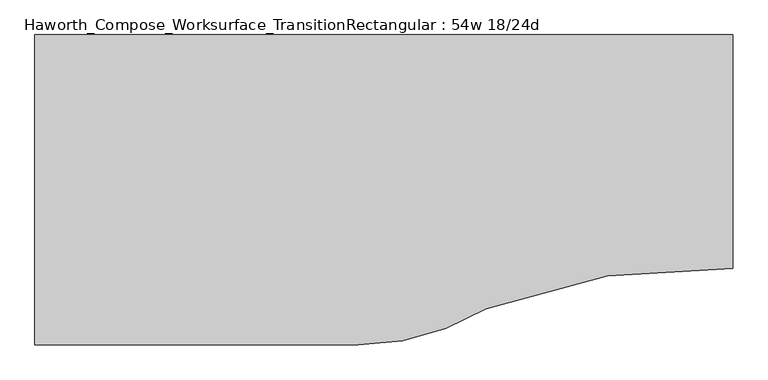
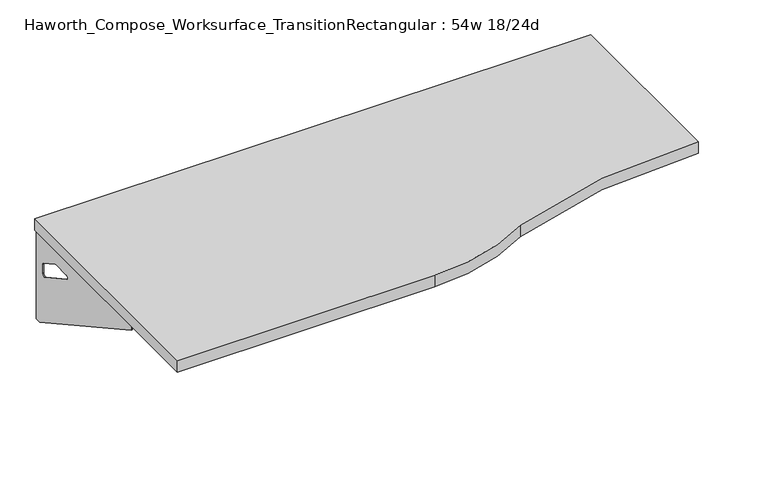
"""IFC4 building model written with IfcOpenShell, lengths in millimetres: furniture geometry, Haworth_Compose_Worksurface_TransitionRectangular : 54w 18/24d."""

from ifc_helpers import new_model, si_unit, point, frame, frame_2d, origin, place, context, project, spatial, polyline, circle_curve, trimmed, segment, composite_curve, outline, extrude, source, transform, mapped, element, save
from ifc_brep_helpers import plane_surface, revolved_surface, advanced_brep


def haworth_compose_worksurface_transitionrectangular_54w_18_24d_34249d6e(model_context):
    return source(origin(), model_context, "Body", "SolidModel", [
        advanced_brep(
        [(661.19375, 152.4, 475.45625), (661.19375, 136.525, 475.45625), (661.19375, -254.0, 691.7192568), (661.19375, -254.0, 704.05625), (661.19375, 136.525, 704.05625), (661.19375, 152.4, 704.05625), (661.19375, 69.090072, 665.95625), (661.19375, 25.4355284, 665.95625), (661.19375, 22.7564235, 656.3705539), (661.19375, 114.4776173, 605.5776439), (661.19375, 123.825, 611.1756969), (661.19375, 123.825, 634.6860246), (661.19375, 122.0730055, 637.5242776), (661.19375, 72.1663437, 665.1613425), (663.575, 152.4, 475.45625), (663.575, 152.4, 704.05625), (663.575, 136.525, 704.05625), (663.575, 136.525, 706.4375), (663.575, -254.0, 706.4375), (663.575, -254.0, 691.7192568), (663.575, 136.525, 475.45625), (663.575, 69.090072, 665.95625), (663.575, 72.1663437, 665.1613425), (663.575, 122.0730055, 637.5242776), (663.575, 123.825, 634.6860246), (663.575, 123.825, 611.1756969), (663.575, 114.4776173, 605.5776439), (663.575, 22.7564235, 656.3705539), (663.575, 25.4355284, 665.95625), (622.3, -254.0, 706.4375), (622.3, -254.0, 704.05625), (622.3, 136.525, 704.05625), (622.3, 136.525, 706.4375)],
        [
            (0, 1),
            (1, 2),
            (2, 3),
            (3, 4),
            (4, 5),
            (5, 0),
            (6, 7),
            (7, 8, circle_curve(frame((661.19375, 25.4355284, 660.7890106), z_axis=(1.0, 0.0, 0.0), x_axis=(0.0, -1.0, 0.0)), 5.1672394)),
            (8, 9),
            (9, 10, circle_curve(frame((661.19375, 117.475, 611.1756969), z_axis=(1.0, 0.0, 0.0), x_axis=(0.0, -1.0, 0.0)), 6.35)),
            (10, 11),
            (11, 12, circle_curve(frame((661.19375, 120.65, 634.6860246), z_axis=(1.0, 0.0, 0.0), x_axis=(0.0, -1.0, 0.0)), 3.175)),
            (12, 13),
            (13, 6, circle_curve(frame((661.19375, 69.090072, 659.60625), z_axis=(1.0, 0.0, 0.0), x_axis=(0.0, -1.0, 0.0)), 6.35)),
            (14, 15),
            (15, 16),
            (16, 17),
            (17, 18),
            (18, 19),
            (19, 20),
            (20, 14),
            (21, 22, circle_curve(frame((663.575, 69.090072, 659.60625), z_axis=(-1.0, 0.0, 0.0), x_axis=(0.0, -1.0, 0.0)), 6.35)),
            (22, 23),
            (23, 24, circle_curve(frame((663.575, 120.65, 634.6860246), z_axis=(-1.0, 0.0, 0.0), x_axis=(0.0, -1.0, 0.0)), 3.175)),
            (24, 25),
            (25, 26, circle_curve(frame((663.575, 117.475, 611.1756969), z_axis=(-1.0, 0.0, 0.0), x_axis=(0.0, -1.0, 0.0)), 6.35)),
            (26, 27),
            (27, 28, circle_curve(frame((663.575, 25.4355284, 660.7890106), z_axis=(-1.0, 0.0, 0.0), x_axis=(0.0, -1.0, 0.0)), 5.1672394)),
            (28, 21),
            (4, 16),
            (15, 5),
            (14, 0),
            (20, 1),
            (19, 2),
            (18, 29),
            (29, 30),
            (30, 3),
            (6, 21),
            (28, 7),
            (9, 26),
            (25, 10),
            (24, 11),
            (23, 12),
            (27, 8),
            (31, 4),
            (30, 31),
            (32, 29),
            (17, 32),
            (31, 32),
            (22, 13),
        ],
        [
            plane_surface(frame((661.19375, 152.4, 475.45625), z_axis=(-1.0, 0.0, 0.0), x_axis=(0.0, 1.0, 0.0))),
            plane_surface(frame((663.575, 152.4, 475.45625), z_axis=(1.0, 0.0, 0.0), x_axis=(0.0, -1.0, 0.0))),
            plane_surface(frame((663.575, -254.0, 704.05625), z_axis=(0.0, 0.0, 1.0), x_axis=(-1.0, 0.0, 0.0))),
            plane_surface(frame((663.575, 152.4, 704.05625), z_axis=(0.0, 1.0, 0.0), x_axis=(-1.0, 0.0, 0.0))),
            plane_surface(frame((663.575, 152.4, 475.45625), z_axis=(0.0, 0.0, -1.0), x_axis=(-1.0, 0.0, 0.0))),
            plane_surface(frame((663.575, 136.525, 475.45625), z_axis=(0.0, -0.48445223513455843, -0.8748177135112952), x_axis=(-1.0, 0.0, 0.0))),
            plane_surface(frame((663.575, -254.0, 691.7192568), z_axis=(0.0, -1.0, 0.0), x_axis=(-1.0, 0.0, 0.0))),
            plane_surface(frame((663.575, 69.090072, 665.95625), z_axis=(0.0, 0.0, -1.0), x_axis=(-1.0, 0.0, 0.0))),
            revolved_surface(polyline([(661.19375, 111.125, 611.1756969), (663.575, 111.125, 611.1756969)]), (663.575, 117.475, 611.1756969), (-1.0, 0.0, 0.0)),
            plane_surface(frame((663.575, 123.825, 611.1756969), z_axis=(0.0, -1.0, 0.0), x_axis=(-1.0, 0.0, 0.0))),
            revolved_surface(polyline([(661.19375, 117.47500000000001, 634.6860246), (663.575, 117.47500000000001, 634.6860246)]), (663.575, 120.65, 634.6860246), (-1.0, 0.0, 0.0)),
            revolved_surface(polyline([(661.19375, 20.268289, 660.7890106), (663.575, 20.268289, 660.7890106)]), (663.575, 25.4355284, 660.7890106), (-1.0, 0.0, 0.0)),
            plane_surface(frame((663.575, 136.525, 704.05625), z_axis=(0.0, 0.0, -1.0), x_axis=(-1.0, 0.0, 0.0))),
            plane_surface(frame((663.575, 136.525, 706.4375), z_axis=(0.0, 0.0, 1.0), x_axis=(1.0, 0.0, 0.0))),
            plane_surface(frame((622.3, 136.525, 706.4375), z_axis=(0.0, 1.0, 0.0), x_axis=(0.0, 0.0, -1.0))),
            plane_surface(frame((622.3, -254.0, 706.4375), z_axis=(-1.0, 0.0, 0.0), x_axis=(0.0, 0.0, -1.0))),
            plane_surface(frame((663.575, 22.7564235, 656.3705539), z_axis=(0.0, 0.4844522351345583, 0.8748177135112953), x_axis=(-1.0, 0.0, 0.0))),
            plane_surface(frame((663.575, 122.0730055, 637.5242776), z_axis=(0.0, -0.4844522351345582, -0.8748177135112953), x_axis=(-1.0, 0.0, 0.0))),
            revolved_surface(polyline([(661.19375, 62.740072000000005, 659.60625), (663.575, 62.740072000000005, 659.60625)]), (663.575, 69.090072, 659.60625), (-1.0, 0.0, 0.0)),
        ],
        [
            (0, [[1, 2, 3, 4, 5, 6], [7, 8, 9, 10, 11, 12, 13, 14]]),
            (1, [[15, 16, 17, 18, 19, 20, 21], [22, 23, 24, 25, 26, 27, 28, 29]]),
            (2, [[-5, 30, -16, 31]]),
            (3, [[-31, -15, 32, -6]]),
            (4, [[-32, -21, 33, -1]]),
            (5, [[-33, -20, 34, -2]]),
            (6, [[-34, -19, 35, 36, 37, -3]]),
            (7, [[38, -29, 39, -7]]),
            (8, [[40, -26, 41, -10]]),
            (9, [[-41, -25, 42, -11]]),
            (10, [[-42, -24, 43, -12]]),
            (11, [[-39, -28, 44, -8]]),
            (12, [[45, -4, -37, 46]]),
            (13, [[47, -35, -18, 48]]),
            (14, [[-17, -30, -45, 49, -48]]),
            (15, [[-36, -47, -49, -46]]),
            (16, [[-44, -27, -40, -9]]),
            (17, [[-43, -23, 50, -13]]),
            (18, [[-50, -22, -38, -14]]),
        ],
    ),
        advanced_brep(
        [(-699.29375, 152.4, 475.45625), (-699.29375, 152.4, 704.05625), (-699.29375, 136.525, 704.05625), (-699.29375, -254.0, 704.05625), (-699.29375, -254.0, 691.7192568), (-699.29375, 136.525, 475.45625), (-699.29375, 69.090072, 665.95625), (-699.29375, 72.1663437, 665.1613425), (-699.29375, 122.0730055, 637.5242776), (-699.29375, 123.825, 634.6860246), (-699.29375, 123.825, 611.1756969), (-699.29375, 114.4776173, 605.5776439), (-699.29375, 22.7564235, 656.3705539), (-699.29375, 25.4355284, 665.95625), (-701.675, 152.4, 475.45625), (-701.675, 136.525, 475.45625), (-701.675, -254.0, 691.7192568), (-701.675, -254.0, 706.4375), (-701.675, 136.525, 706.4375), (-701.675, 136.525, 704.05625), (-701.675, 152.4, 704.05625), (-701.675, 69.090072, 665.95625), (-701.675, 25.4355284, 665.95625), (-701.675, 22.7564235, 656.3705539), (-701.675, 114.4776173, 605.5776439), (-701.675, 123.825, 611.1756969), (-701.675, 123.825, 634.6860246), (-701.675, 122.0730055, 637.5242776), (-701.675, 72.1663437, 665.1613425), (-660.4, -254.0, 704.05625), (-660.4, -254.0, 706.4375), (-660.4, 136.525, 704.05625), (-660.4, 136.525, 706.4375)],
        [
            (0, 1),
            (1, 2),
            (2, 3),
            (3, 4),
            (4, 5),
            (5, 0),
            (6, 7, circle_curve(frame((-699.29375, 69.090072, 659.60625), z_axis=(-1.0, 0.0, 0.0), x_axis=(0.0, -1.0, 0.0)), 6.35)),
            (7, 8),
            (8, 9, circle_curve(frame((-699.29375, 120.65, 634.6860246), z_axis=(-1.0, 0.0, 0.0), x_axis=(0.0, -1.0, 0.0)), 3.175)),
            (9, 10),
            (10, 11, circle_curve(frame((-699.29375, 117.475, 611.1756969), z_axis=(-1.0, 0.0, 0.0), x_axis=(0.0, -1.0, 0.0)), 6.35)),
            (11, 12),
            (12, 13, circle_curve(frame((-699.29375, 25.4355284, 660.7890106), z_axis=(-1.0, 0.0, 0.0), x_axis=(0.0, -1.0, 0.0)), 5.1672394)),
            (13, 6),
            (14, 15),
            (15, 16),
            (16, 17),
            (17, 18),
            (18, 19),
            (19, 20),
            (20, 14),
            (21, 22),
            (22, 23, circle_curve(frame((-701.675, 25.4355284, 660.7890106), z_axis=(1.0, 0.0, 0.0), x_axis=(0.0, -1.0, 0.0)), 5.1672394)),
            (23, 24),
            (24, 25, circle_curve(frame((-701.675, 117.475, 611.1756969), z_axis=(1.0, 0.0, 0.0), x_axis=(0.0, -1.0, 0.0)), 6.35)),
            (25, 26),
            (26, 27, circle_curve(frame((-701.675, 120.65, 634.6860246), z_axis=(1.0, 0.0, 0.0), x_axis=(0.0, -1.0, 0.0)), 3.175)),
            (27, 28),
            (28, 21, circle_curve(frame((-701.675, 69.090072, 659.60625), z_axis=(1.0, 0.0, 0.0), x_axis=(0.0, -1.0, 0.0)), 6.35)),
            (1, 20),
            (19, 2),
            (0, 14),
            (5, 15),
            (4, 16),
            (3, 29),
            (29, 30),
            (30, 17),
            (13, 22),
            (21, 6),
            (10, 25),
            (24, 11),
            (9, 26),
            (8, 27),
            (12, 23),
            (31, 29),
            (2, 31),
            (32, 18),
            (30, 32),
            (32, 31),
            (7, 28),
        ],
        [
            plane_surface(frame((-699.29375, 152.4, 475.45625), z_axis=(1.0, 0.0, 0.0), x_axis=(0.0, 1.0, 0.0))),
            plane_surface(frame((-701.675, 152.4, 475.45625), z_axis=(-1.0, 0.0, 0.0), x_axis=(0.0, -1.0, 0.0))),
            plane_surface(frame((-701.675, -254.0, 704.05625), z_axis=(0.0, 0.0, 1.0), x_axis=(1.0, 0.0, 0.0))),
            plane_surface(frame((-701.675, 152.4, 704.05625), z_axis=(0.0, 1.0, 0.0), x_axis=(1.0, 0.0, 0.0))),
            plane_surface(frame((-701.675, 152.4, 475.45625), z_axis=(0.0, 0.0, -1.0), x_axis=(1.0, 0.0, 0.0))),
            plane_surface(frame((-701.675, 136.525, 475.45625), z_axis=(0.0, -0.48445223513455843, -0.8748177135112952), x_axis=(1.0, 0.0, 0.0))),
            plane_surface(frame((-701.675, -254.0, 691.7192568), z_axis=(0.0, -1.0, 0.0), x_axis=(1.0, 0.0, 0.0))),
            plane_surface(frame((-701.675, 69.090072, 665.95625), z_axis=(0.0, 0.0, -1.0), x_axis=(1.0, 0.0, 0.0))),
            revolved_surface(polyline([(-699.29375, 111.125, 611.1756969), (-701.675, 111.125, 611.1756969)]), (-701.675, 117.475, 611.1756969), (1.0, 0.0, 0.0)),
            plane_surface(frame((-701.675, 123.825, 611.1756969), z_axis=(0.0, -1.0, 0.0), x_axis=(1.0, 0.0, 0.0))),
            revolved_surface(polyline([(-699.29375, 117.47500000000001, 634.6860246), (-701.675, 117.47500000000001, 634.6860246)]), (-701.675, 120.65, 634.6860246), (1.0, 0.0, 0.0)),
            revolved_surface(polyline([(-699.29375, 20.268289, 660.7890106), (-701.675, 20.268289, 660.7890106)]), (-701.675, 25.4355284, 660.7890106), (1.0, 0.0, 0.0)),
            plane_surface(frame((-701.675, 136.525, 704.05625), z_axis=(0.0, 0.0, -1.0), x_axis=(1.0, 0.0, 0.0))),
            plane_surface(frame((-701.675, 136.525, 706.4375), z_axis=(0.0, 0.0, 1.0), x_axis=(-1.0, 0.0, 0.0))),
            plane_surface(frame((-660.4, 136.525, 706.4375), z_axis=(0.0, 1.0, 0.0), x_axis=(0.0, 0.0, -1.0))),
            plane_surface(frame((-660.4, -254.0, 706.4375), z_axis=(1.0, 0.0, 0.0), x_axis=(0.0, 0.0, -1.0))),
            plane_surface(frame((-701.675, 22.7564235, 656.3705539), z_axis=(0.0, 0.4844522351345583, 0.8748177135112953), x_axis=(1.0, 0.0, 0.0))),
            plane_surface(frame((-701.675, 122.0730055, 637.5242776), z_axis=(0.0, -0.4844522351345582, -0.8748177135112953), x_axis=(1.0, 0.0, 0.0))),
            revolved_surface(polyline([(-699.29375, 62.740072000000005, 659.60625), (-701.675, 62.740072000000005, 659.60625)]), (-701.675, 69.090072, 659.60625), (1.0, 0.0, 0.0)),
        ],
        [
            (0, [[1, 2, 3, 4, 5, 6], [7, 8, 9, 10, 11, 12, 13, 14]]),
            (1, [[15, 16, 17, 18, 19, 20, 21], [22, 23, 24, 25, 26, 27, 28, 29]]),
            (2, [[30, -20, 31, -2]]),
            (3, [[-1, 32, -21, -30]]),
            (4, [[-6, 33, -15, -32]]),
            (5, [[-5, 34, -16, -33]]),
            (6, [[-4, 35, 36, 37, -17, -34]]),
            (7, [[-14, 38, -22, 39]]),
            (8, [[-11, 40, -25, 41]]),
            (9, [[-10, 42, -26, -40]]),
            (10, [[-9, 43, -27, -42]]),
            (11, [[-13, 44, -23, -38]]),
            (12, [[45, -35, -3, 46]]),
            (13, [[47, -18, -37, 48]]),
            (14, [[-47, 49, -46, -31, -19]]),
            (15, [[-45, -49, -48, -36]]),
            (16, [[-12, -41, -24, -44]]),
            (17, [[-8, 50, -28, -43]]),
            (18, [[-7, -39, -29, -50]]),
        ],
    ),
        extrude(outline(composite_curve([segment(trimmed(circle_curve(frame_2d((615.9932653, -1525.6064208)), 1219.2), [point((666.75, -307.4634103))], [point((181.9318841, -386.2911188))], True, "CARTESIAN"), True, "CONTINUOUS"), segment(trimmed(circle_curve(frame_2d((-69.8878584, 25.4)), 482.6), [point((181.9318841, -386.2911188))], [point((-69.8878584, -457.2))], False, "CARTESIAN"), True, "CONTINUOUS"), segment(polyline([(-69.8878584, -457.2), (-704.85, -457.2), (-704.85, 152.4), (666.75, 152.4), (666.75, -307.4634103)]), True, "CONTINUOUS")], self_intersect=False)), frame((0.0, 0.0, 706.4375), z_axis=(0.0, 0.0, 1.0), x_axis=(1.0, 0.0, 0.0)), (0.0, 0.0, 1.0), 30.1625),
    ])


if __name__ == "__main__":
    model = new_model("IFC4")
    model_context = context("Model", 3, world=origin())
    ifc_project = project(units=[si_unit("LENGTHUNIT", "METRE", prefix="MILLI")], contexts=[model_context])
    site = spatial("IfcSite", under=ifc_project)
    building = spatial("IfcBuilding", under=site)
    placement = place(None, origin())
    haworth_compose_worksurface_transitionrectangular_54w_18_24d_shape = haworth_compose_worksurface_transitionrectangular_54w_18_24d_34249d6e(model_context)
    element("IfcFurniture", 1, ObjectType="Haworth_Compose_Worksurface_TransitionRectangular : 54w 18/24d", at=placement, inside=building, context=model_context, shape_type="MappedRepresentation", body=[
        mapped(haworth_compose_worksurface_transitionrectangular_54w_18_24d_shape, transform((0.0, 0.0, 0.0), x_axis=(1.0, 0.0, 0.0), y_axis=(0.0, 1.0, 0.0), z_axis=(0.0, 0.0, 1.0))),
    ])
    save(model, "model.ifc")
